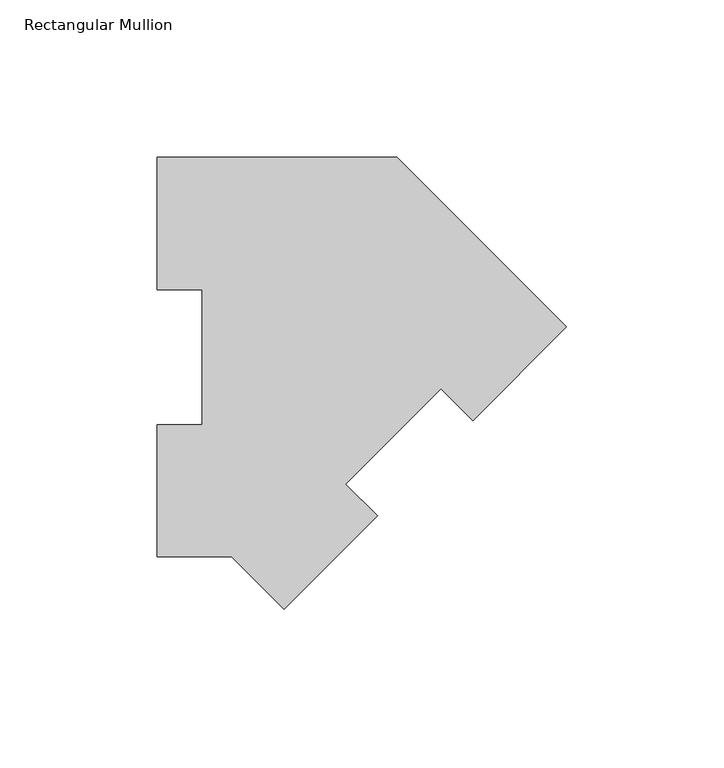
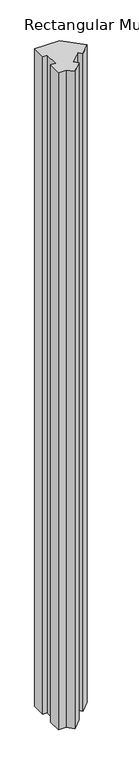
"""IFC4 building model written with IfcOpenShell, lengths in millimetres: member geometry, Rectangular Mullion."""

from ifc_helpers import new_model, si_unit, frame, origin, place, context, project, spatial, polyline, outline, extrude, source, transform, mapped, element, save


def rectangular_mullion_b3ed16d0(model_context):
    return source(origin(), model_context, "Body", "SweptSolid", [
        extrude(outline(polyline([(-130.0815367, 126.7086938), (-53.8815367, 126.7086938), (0.0, 72.827157), (-29.7515885, 43.0755685), (-39.8543767, 53.1783566), (-70.1537608, 22.8789725), (-60.0509727, 12.7761843), (-89.8025612, -16.9754042), (-106.4866592, -0.2913062), (-130.0815367, -0.2913062), (-130.0815367, 41.7837938), (-115.7940367, 41.7837938), (-115.7940367, 84.6335937), (-130.0815367, 84.6335937), (-130.0815367, 126.7086938)])), frame((0.0, 0.0, -2133.6), z_axis=(0.0, 0.0, 1.0), x_axis=(1.0, 0.0, 0.0)), (0.0, 0.0, 1.0), 2133.6),
    ])


if __name__ == "__main__":
    model = new_model("IFC4")
    model_context = context("Model", 3, world=origin())
    ifc_project = project(units=[si_unit("LENGTHUNIT", "METRE", prefix="MILLI")], contexts=[model_context])
    site = spatial("IfcSite", under=ifc_project)
    building = spatial("IfcBuilding", under=site)
    placement = place(None, origin())
    rectangular_mullion_shape = rectangular_mullion_b3ed16d0(model_context)
    element("IfcMember", 1, ObjectType="Rectangular Mullion", at=placement, inside=building, context=model_context, shape_type="MappedRepresentation", body=[
        mapped(rectangular_mullion_shape, transform((0.0, 0.0, 0.0), x_axis=(1.0, 0.0, 0.0), y_axis=(0.0, 1.0, 0.0), z_axis=(0.0, 0.0, 1.0))),
    ])
    save(model, "model.ifc")
